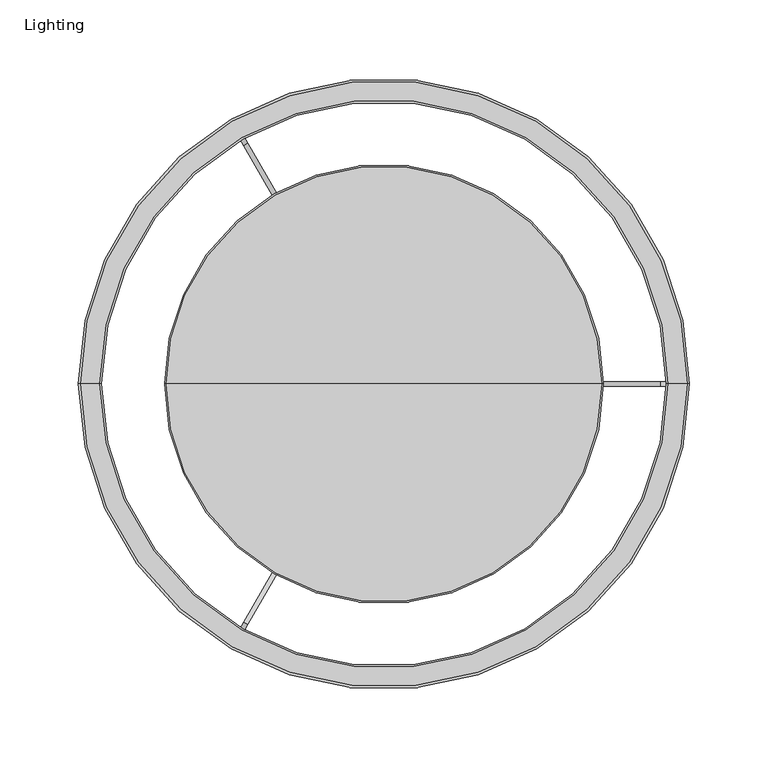
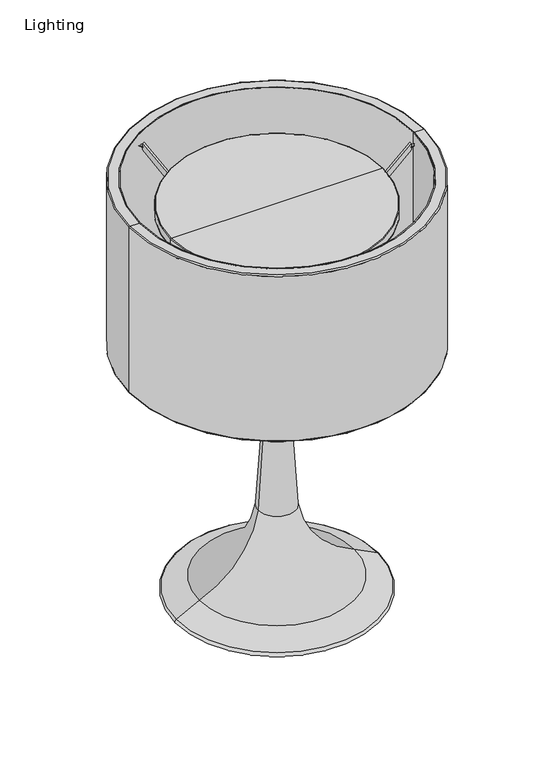
"""IFC4 building model written with IfcOpenShell, lengths in millimetres: furniture geometry, Lighting."""

from ifc_helpers import new_model, si_unit, point, frame, frame_2d, origin, place, context, project, spatial, polyline, circle_curve, ellipse_curve, trimmed, segment, composite_curve, outline, extrude, source, transform, mapped, element, save
from ifc_brep_helpers import plane_surface, cylinder_surface, revolved_surface, advanced_brep


def lighting_a57236e0(model_context):
    return source(origin(), model_context, "Body", "SolidModel", [
        advanced_brep(
        [(-361.1339083, 345.7919098, 525.9938597), (-222.1339083, 345.7919098, 525.9938597), (-500.1339083, 345.7919098, 525.9938597), (-500.1339083, 345.7919098, 539.5077141), (-222.1339083, 345.7919098, 539.5077141), (-361.1339083, 345.7919098, 539.5077141), (-501.1339083, 345.7919098, 538.5077141), (-221.1339083, 345.7919098, 538.5077141), (-501.1339083, 345.7919098, 526.9938597), (-221.1339083, 345.7919098, 526.9938597)],
        [
            (0, 1),
            (1, 2, circle_curve(frame((-361.1339083, 345.7919098, 525.9938597), z_axis=(0.0, 0.0, -1.0), x_axis=(1.0, 0.0, 0.0)), 139.0)),
            (2, 0),
            (2, 1, circle_curve(frame((-361.1339083, 345.7919098, 525.9938597), z_axis=(0.0, 0.0, -1.0), x_axis=(1.0, 0.0, 0.0)), 139.0)),
            (3, 4, circle_curve(frame((-361.1339083, 345.7919098, 539.5077141), z_axis=(0.0, 0.0, 1.0), x_axis=(1.0, 0.0, 0.0)), 139.0)),
            (4, 5),
            (5, 3),
            (4, 3, circle_curve(frame((-361.1339083, 345.7919098, 539.5077141), z_axis=(0.0, 0.0, 1.0), x_axis=(1.0, 0.0, 0.0)), 139.0)),
            (6, 7, circle_curve(frame((-361.1339083, 345.7919098, 538.5077141), z_axis=(0.0, 0.0, 1.0), x_axis=(1.0, 0.0, 0.0)), 140.0)),
            (7, 4, circle_curve(frame((-222.1339083, 345.7919098, 538.5077141), z_axis=(0.0, -1.0, 0.0), x_axis=(1.0, 0.0, 0.0)), 1.0)),
            (3, 6, circle_curve(frame((-500.1339083, 345.7919098, 538.5077141), z_axis=(0.0, -1.0, 0.0), x_axis=(-1.0, 0.0, 0.0)), 1.0)),
            (7, 6, circle_curve(frame((-361.1339083, 345.7919098, 538.5077141), z_axis=(0.0, 0.0, 1.0), x_axis=(1.0, 0.0, 0.0)), 140.0)),
            (8, 9, circle_curve(frame((-361.1339083, 345.7919098, 526.9938597), z_axis=(0.0, 0.0, 1.0), x_axis=(1.0, 0.0, 0.0)), 140.0)),
            (9, 7),
            (6, 8),
            (9, 8, circle_curve(frame((-361.1339083, 345.7919098, 526.9938597), z_axis=(0.0, 0.0, 1.0), x_axis=(1.0, 0.0, 0.0)), 140.0)),
            (1, 9, circle_curve(frame((-222.1339083, 345.7919098, 526.9938597), z_axis=(0.0, -1.0, 0.0), x_axis=(1.0, 0.0, 0.0)), 1.0)),
            (8, 2, circle_curve(frame((-500.1339083, 345.7919098, 526.9938597), z_axis=(0.0, -1.0, 0.0), x_axis=(-1.0, 0.0, 0.0)), 1.0)),
        ],
        [
            plane_surface(frame((-361.1339083, 345.7919098, 525.9938597), z_axis=(0.0, 0.0, -1.0), x_axis=(1.0, 0.0, 0.0))),
            plane_surface(frame((-361.1339083, 345.7919098, 539.5077141), z_axis=(0.0, 0.0, 1.0), x_axis=(1.0, 0.0, 0.0))),
            revolved_surface(trimmed(ellipse_curve(frame((-222.1339083, 345.7919098, 538.5077141), z_axis=(0.0, 1.0, 0.0), x_axis=(1.0, 0.0, 0.0)), 1.0, 1.0), [point((-222.1339083, 345.7919098, 539.5077141))], [point((-221.1339083, 345.7919098, 538.5077141))], True, "CARTESIAN"), (-361.1339083, 345.7919098, 820.0), (0.0, 0.0, -1.0)),
            cylinder_surface(frame((-361.1339083, 345.7919098, 820.0), z_axis=(0.0, 0.0, -1.0), x_axis=(1.0, 0.0, 0.0)), 140.0),
            revolved_surface(trimmed(ellipse_curve(frame((-222.1339083, 345.7919098, 526.9938597), z_axis=(0.0, 1.0, 0.0), x_axis=(1.0, 0.0, 0.0)), 1.0, 1.0), [point((-221.1339083, 345.7919098, 526.9938597))], [point((-222.1339083, 345.7919098, 525.9938597))], True, "CARTESIAN"), (-361.1339083, 345.7919098, 820.0), (0.0, 0.0, -1.0)),
        ],
        [
            (0, [[1, 2, 3]]),
            (0, [[-3, 4, -1]]),
            (1, [[5, 6, 7]]),
            (1, [[8, -7, -6]]),
            (2, [[9, 10, -5, 11]]),
            (2, [[12, -11, -8, -10]]),
            (3, [[13, 14, -9, 15]]),
            (3, [[16, -15, -12, -14]]),
            (4, [[-2, 17, -13, 18]]),
            (4, [[-4, -18, -16, -17]]),
        ],
    ),
        extrude(outline(composite_curve([segment(trimmed(circle_curve(frame_2d((0.0, -1.5)), 1.5), [point((0.0, -3.0))], [point((0.0, 0.0))], False, "CARTESIAN"), True, "CONTINUOUS"), segment(trimmed(circle_curve(frame_2d((0.0, -1.5)), 1.5), [point((0.0, 0.0))], [point((0.0, -3.0))], False, "CARTESIAN"), True, "CONTINUOUS")], self_intersect=False)), frame((-453.2898105, 189.1732049, 557.2266518), z_axis=(0.5000000000000014, 0.8660254037844379, 0.0), x_axis=(0.0, 0.0, -1.0)), (0.0, 0.0, 1.0), 5.3498046),
        extrude(outline(composite_curve([segment(polyline([(2086.6126699, -977.1648436), (2078.3640027, -977.1648436)]), True, "CONTINUOUS"), segment(trimmed(circle_curve(frame_2d((949.9712898, -1990.7022794)), 1516.7492371), [point((2078.3640027, -977.1648436))], [point((2028.4604143, -924.2176538))], True, "CARTESIAN"), True, "CONTINUOUS"), segment(trimmed(circle_curve(frame_2d((1620.7177074, -1327.4218385)), 573.4350265), [point((2028.4604143, -924.2176538))], [point((1895.9133242, -824.3362572))], True, "CARTESIAN"), True, "CONTINUOUS"), segment(polyline([(1895.9133242, -824.3362572), (1949.0963026, -824.3362572)]), True, "CONTINUOUS"), segment(trimmed(circle_curve(frame_2d((0.0, -2716.4319311)), 2716.4319311), [point((1949.0963026, -824.3362572))], [point((2086.6126699, -977.1648436))], False, "CARTESIAN"), True, "CONTINUOUS")], self_intersect=False)), frame((40.5655898, 1038.5558498, -1525.2616845), z_axis=(-0.8660254037844387, 0.5000000000000001, 0.0), x_axis=(0.0, 0.0, 1.0)), (0.0, 0.0, 1.0), 3.0),
        extrude(outline(composite_curve([segment(trimmed(circle_curve(frame_2d((0.0, -1.5)), 1.5), [point((0.0, -3.0))], [point((0.0, 0.0))], False, "CARTESIAN"), True, "CONTINUOUS"), segment(trimmed(circle_curve(frame_2d((0.0, -1.5)), 1.5), [point((0.0, 0.0))], [point((0.0, -3.0))], False, "CARTESIAN"), True, "CONTINUOUS")], self_intersect=False)), frame((-450.6149082, 497.777548, 557.2266518), z_axis=(-0.49999999999999567, 0.8660254037844412, 0.0), x_axis=(0.0, 0.0, -1.0)), (0.0, 0.0, 1.0), 5.3498046),
        extrude(outline(composite_curve([segment(polyline([(4.8847677, 0.0), (13.1334349, 0.0)]), True, "CONTINUOUS"), segment(trimmed(circle_curve(frame_2d((1141.5261478, 1013.5374359)), 1516.7492371), [point((13.1334349, 0.0))], [point((63.0370233, -52.9471897))], True, "CARTESIAN"), True, "CONTINUOUS"), segment(trimmed(circle_curve(frame_2d((470.7797302, 350.256995)), 573.4350265), [point((63.0370233, -52.9471897))], [point((195.5841134, -152.8285864))], True, "CARTESIAN"), True, "CONTINUOUS"), segment(polyline([(195.5841134, -152.8285864), (142.401135, -152.8285864)]), True, "CONTINUOUS"), segment(trimmed(circle_curve(frame_2d((2091.4974376, 1739.2670877)), 2716.4319311), [point((142.401135, -152.8285864))], [point((4.8847677, 0.0))], False, "CARTESIAN"), True, "CONTINUOUS")], self_intersect=False)), frame((-450.6149082, 497.777548, 566.2357531), z_axis=(0.866025403784442, 0.49999999999999434, 0.0), x_axis=(0.0, 0.0, -1.0)), (0.0, 0.0, 1.0), 3.0),
        extrude(outline(composite_curve([segment(trimmed(circle_curve(frame_2d((345.7919098, 557.2266518)), 1.5), [point((344.2919098, 557.2266518))], [point((347.2919098, 557.2266518))], False, "CARTESIAN"), True, "CONTINUOUS"), segment(trimmed(circle_curve(frame_2d((345.7919098, 557.2266518)), 1.5), [point((347.2919098, 557.2266518))], [point((344.2919098, 557.2266518))], False, "CARTESIAN"), True, "CONTINUOUS")], self_intersect=False)), frame((-184.7699846, 0.0, 0.0), z_axis=(1.0, 0.0, 0.0), x_axis=(0.0, 1.0, 0.0)), (0.0, 0.0, 1.0), 5.3498046),
        extrude(outline(composite_curve([segment(trimmed(circle_curve(frame_2d((-1525.2616845, 1554.497103)), 2716.4319311), [point((561.3509854, -184.7699846))], [point((423.8346181, -337.598571))], False, "CARTESIAN"), True, "CONTINUOUS"), segment(polyline([(423.8346181, -337.598571), (370.6516397, -337.598571)]), True, "CONTINUOUS"), segment(trimmed(circle_curve(frame_2d((95.4560229, 165.4870104)), 573.4350265), [point((370.6516397, -337.598571))], [point((503.1987298, -237.7171743))], True, "CARTESIAN"), True, "CONTINUOUS"), segment(trimmed(circle_curve(frame_2d((-575.2903947, 828.7674513)), 1516.7492371), [point((503.1987298, -237.7171743))], [point((553.1023182, -184.7699846))], True, "CARTESIAN"), True, "CONTINUOUS"), segment(polyline([(553.1023182, -184.7699846), (561.3509854, -184.7699846)]), True, "CONTINUOUS")], self_intersect=False)), frame((0.0, 344.2919098, 0.0), z_axis=(0.0, 1.0, 0.0), x_axis=(0.0, 0.0, 1.0)), (0.0, 0.0, 1.0), 3.0),
        advanced_brep(
        [(-541.3839083, 345.7919098, 343.0), (-180.8839083, 345.7919098, 343.0), (-179.8839083, 345.7919098, 343.0), (-542.3839083, 345.7919098, 343.0), (-541.3839083, 345.7919098, 575.0), (-180.8839083, 345.7919098, 575.0), (-542.3839083, 345.7919098, 575.0), (-179.8839083, 345.7919098, 575.0)],
        [
            (0, 1, circle_curve(frame((-361.1339083, 345.7919098, 343.0), z_axis=(0.0, 0.0, 1.0), x_axis=(1.0, 0.0, 0.0)), 180.25)),
            (1, 2),
            (2, 3, circle_curve(frame((-361.1339083, 345.7919098, 343.0), z_axis=(0.0, 0.0, -1.0), x_axis=(1.0, 0.0, 0.0)), 181.25)),
            (3, 0),
            (1, 0, circle_curve(frame((-361.1339083, 345.7919098, 343.0), z_axis=(0.0, 0.0, 1.0), x_axis=(1.0, 0.0, 0.0)), 180.25)),
            (3, 2, circle_curve(frame((-361.1339083, 345.7919098, 343.0), z_axis=(0.0, 0.0, -1.0), x_axis=(1.0, 0.0, 0.0)), 181.25)),
            (4, 5, circle_curve(frame((-361.1339083, 345.7919098, 575.0), z_axis=(0.0, 0.0, 1.0), x_axis=(1.0, 0.0, 0.0)), 180.25)),
            (5, 1),
            (0, 4),
            (5, 4, circle_curve(frame((-361.1339083, 345.7919098, 575.0), z_axis=(0.0, 0.0, 1.0), x_axis=(1.0, 0.0, 0.0)), 180.25)),
            (6, 7, circle_curve(frame((-361.1339083, 345.7919098, 575.0), z_axis=(0.0, 0.0, 1.0), x_axis=(1.0, 0.0, 0.0)), 181.25)),
            (7, 5),
            (4, 6),
            (7, 6, circle_curve(frame((-361.1339083, 345.7919098, 575.0), z_axis=(0.0, 0.0, 1.0), x_axis=(1.0, 0.0, 0.0)), 181.25)),
            (2, 7),
            (6, 3),
        ],
        [
            plane_surface(frame((-361.1339083, 345.7919098, 343.0), z_axis=(0.0, 0.0, -1.0), x_axis=(1.0, 0.0, 0.0))),
            revolved_surface(polyline([(-180.88390829999997, 345.7919098, 343.0), (-180.88390829999997, 345.7919098, 575.0)]), (-361.1339083, 345.7919098, 715.0), (0.0, 0.0, -1.0)),
            plane_surface(frame((-361.1339083, 345.7919098, 575.0), z_axis=(0.0, 0.0, 1.0), x_axis=(1.0, 0.0, 0.0))),
            cylinder_surface(frame((-361.1339083, 345.7919098, 715.0), z_axis=(0.0, 0.0, -1.0), x_axis=(1.0, 0.0, 0.0)), 181.25),
        ],
        [
            (0, [[1, 2, 3, 4]]),
            (0, [[5, -4, 6, -2]]),
            (1, [[7, 8, -1, 9]]),
            (1, [[10, -9, -5, -8]]),
            (2, [[11, 12, -7, 13]]),
            (2, [[14, -13, -10, -12]]),
            (3, [[-3, 15, -11, 16]]),
            (3, [[-6, -16, -14, -15]]),
        ],
    ),
        advanced_brep(
        [(-361.1339083, 345.7919098, 0.0), (-230.1921419, 345.7919098, 0.0), (-492.0756746, 345.7919098, 0.0), (-370.815296, 345.7919098, 349.0159628), (-351.4525206, 345.7919098, 349.0159628), (-361.1339083, 345.7919098, 349.0159628), (-385.5291256, 345.7919098, 119.9779838), (-336.7386909, 345.7919098, 119.9779838), (-462.93253, 345.7919098, 21.7284956), (-259.3352865, 345.7919098, 21.7284956), (-493.813439, 345.7919098, 6.134375), (-228.4543775, 345.7919098, 6.134375)],
        [
            (0, 1),
            (1, 2, circle_curve(frame((-361.1339083, 345.7919098, 0.0), z_axis=(0.0, 0.0, -1.0), x_axis=(1.0, 0.0, 0.0)), 130.9417664)),
            (2, 0),
            (2, 1, circle_curve(frame((-361.1339083, 345.7919098, 0.0), z_axis=(0.0, 0.0, -1.0), x_axis=(1.0, 0.0, 0.0)), 130.9417664)),
            (3, 4, circle_curve(frame((-361.1339083, 345.7919098, 349.0159628), z_axis=(0.0, 0.0, 1.0), x_axis=(1.0, 0.0, 0.0)), 9.6813877)),
            (4, 5),
            (5, 3),
            (4, 3, circle_curve(frame((-361.1339083, 345.7919098, 349.0159628), z_axis=(0.0, 0.0, 1.0), x_axis=(1.0, 0.0, 0.0)), 9.6813877)),
            (6, 7, circle_curve(frame((-361.1339083, 345.7919098, 119.9779838), z_axis=(0.0, 0.0, 1.0), x_axis=(1.0, 0.0, 0.0)), 24.3952173)),
            (7, 4, circle_curve(frame((1036.8933164, 345.7919098, 323.2142936), z_axis=(0.0, 1.0, 0.0), x_axis=(1.0, 0.0, 0.0)), 1388.5855715)),
            (3, 6, circle_curve(frame((-1759.161133, 345.7919098, 323.2142936), z_axis=(0.0, 1.0, 0.0), x_axis=(-1.0, 0.0, 0.0)), 1388.5855715)),
            (7, 6, circle_curve(frame((-361.1339083, 345.7919098, 119.9779838), z_axis=(0.0, 0.0, 1.0), x_axis=(1.0, 0.0, 0.0)), 24.3952173)),
            (8, 9, circle_curve(frame((-361.1339083, 345.7919098, 21.7284956), z_axis=(0.0, 0.0, 1.0), x_axis=(1.0, 0.0, 0.0)), 101.7986217)),
            (9, 7, circle_curve(frame((-212.3150352, 345.7919098, 138.3871389), z_axis=(0.0, 1.0, 0.0), x_axis=(1.0, 0.0, 0.0)), 125.7781503)),
            (6, 8, circle_curve(frame((-509.9527813, 345.7919098, 138.3871389), z_axis=(0.0, 1.0, 0.0), x_axis=(-1.0, 0.0, 0.0)), 125.7781503)),
            (9, 8, circle_curve(frame((-361.1339083, 345.7919098, 21.7284956), z_axis=(0.0, 0.0, 1.0), x_axis=(1.0, 0.0, 0.0)), 101.7986217)),
            (10, 11, circle_curve(frame((-361.1339083, 345.7919098, 6.134375), z_axis=(0.0, 0.0, 1.0), x_axis=(1.0, 0.0, 0.0)), 132.6795307)),
            (11, 9, circle_curve(frame((-335.9695093, 345.7919098, -168.4032925), z_axis=(0.0, -1.0, 0.0), x_axis=(1.0, 0.0, 0.0)), 204.9948803)),
            (8, 10, circle_curve(frame((-386.2983073, 345.7919098, -168.4032925), z_axis=(0.0, -1.0, 0.0), x_axis=(-1.0, 0.0, 0.0)), 204.9948803)),
            (11, 10, circle_curve(frame((-361.1339083, 345.7919098, 6.134375), z_axis=(0.0, 0.0, 1.0), x_axis=(1.0, 0.0, 0.0)), 132.6795307)),
            (1, 11, circle_curve(frame((-230.1921419, 345.7919098, 3.3133271), z_axis=(0.0, -1.0, 0.0), x_axis=(1.0, 0.0, 0.0)), 3.3133271)),
            (10, 2, circle_curve(frame((-492.0756746, 345.7919098, 3.3133271), z_axis=(0.0, -1.0, 0.0), x_axis=(-1.0, 0.0, 0.0)), 3.3133271)),
        ],
        [
            plane_surface(frame((-361.1339083, 345.7919098, 0.0), z_axis=(0.0, 0.0, -1.0), x_axis=(1.0, 0.0, 0.0))),
            plane_surface(frame((-361.1339083, 345.7919098, 349.0159628), z_axis=(0.0, 0.0, 1.0), x_axis=(1.0, 0.0, 0.0))),
            revolved_surface(trimmed(ellipse_curve(frame((1036.8933164, 345.7919098, 323.2142936), z_axis=(0.0, -1.0, 0.0), x_axis=(1.0, 0.0, 0.0)), 1388.5855715, 1388.5855715), [point((-351.4525206, 345.7919098, 349.0159628))], [point((-336.7386909, 345.7919098, 119.9779838))], True, "CARTESIAN"), (-361.1339083, 345.7919098, 1408.2368008), (0.0, 0.0, -1.0)),
            revolved_surface(trimmed(ellipse_curve(frame((-212.3150352, 345.7919098, 138.3871389), z_axis=(0.0, -1.0, 0.0), x_axis=(1.0, 0.0, 0.0)), 125.7781503, 125.7781503), [point((-336.7386909, 345.7919098, 119.9779838))], [point((-259.3352865, 345.7919098, 21.7284956))], True, "CARTESIAN"), (-361.1339083, 345.7919098, 1408.2368008), (0.0, 0.0, -1.0)),
            revolved_surface(trimmed(ellipse_curve(frame((-335.9695093, 345.7919098, -168.4032925), z_axis=(0.0, 1.0, 0.0), x_axis=(1.0, 0.0, 0.0)), 204.9948803, 204.9948803), [point((-259.3352865, 345.7919098, 21.7284956))], [point((-228.4543775, 345.7919098, 6.134375))], True, "CARTESIAN"), (-361.1339083, 345.7919098, 1408.2368008), (0.0, 0.0, -1.0)),
            revolved_surface(trimmed(ellipse_curve(frame((-230.1921419, 345.7919098, 3.3133271), z_axis=(0.0, 1.0, 0.0), x_axis=(1.0, 0.0, 0.0)), 3.3133271, 3.3133271), [point((-228.4543775, 345.7919098, 6.134375))], [point((-230.1921419, 345.7919098, 0.0))], True, "CARTESIAN"), (-361.1339083, 345.7919098, 1408.2368008), (0.0, 0.0, -1.0)),
        ],
        [
            (0, [[1, 2, 3]]),
            (0, [[-3, 4, -1]]),
            (1, [[5, 6, 7]]),
            (1, [[8, -7, -6]]),
            (2, [[9, 10, -5, 11]]),
            (2, [[12, -11, -8, -10]]),
            (3, [[13, 14, -9, 15]]),
            (3, [[16, -15, -12, -14]]),
            (4, [[17, 18, -13, 19]]),
            (4, [[20, -19, -16, -18]]),
            (5, [[-2, 21, -17, 22]]),
            (5, [[-4, -22, -20, -21]]),
        ],
    ),
        advanced_brep(
        [(-376.8534763, 345.7919098, 402.5475216), (-345.4143402, 345.7919098, 402.5475216), (-344.324078, 345.7919098, 424.9393632), (-377.9437386, 345.7919098, 424.9393632), (-361.1339083, 345.7919098, 396.2097307), (-361.1339083, 345.7919098, 424.9393632)],
        [
            (0, 1, circle_curve(frame((-361.1339083, 345.7919098, 402.5475216), z_axis=(0.0, 0.0, 1.0), x_axis=(1.0, 0.0, 0.0)), 15.719568)),
            (1, 2),
            (2, 3, circle_curve(frame((-361.1339083, 345.7919098, 424.9393632), z_axis=(0.0, 0.0, -1.0), x_axis=(1.0, 0.0, 0.0)), 16.8098303)),
            (3, 0),
            (1, 0, circle_curve(frame((-361.1339083, 345.7919098, 402.5475216), z_axis=(0.0, 0.0, 1.0), x_axis=(1.0, 0.0, 0.0)), 15.719568)),
            (3, 2, circle_curve(frame((-361.1339083, 345.7919098, 424.9393632), z_axis=(0.0, 0.0, -1.0), x_axis=(1.0, 0.0, 0.0)), 16.8098303)),
            (4, 1, circle_curve(frame((-361.1339095, 345.7919098, 418.8731836), z_axis=(0.0, -1.0, 0.0), x_axis=(-1.0, 0.0, 0.0)), 22.6634529)),
            (0, 4, circle_curve(frame((-361.133907, 345.7919098, 418.8731836), z_axis=(0.0, -1.0, 0.0), x_axis=(1.0, 0.0, 0.0)), 22.6634529)),
            (2, 5),
            (5, 3),
        ],
        [
            revolved_surface(polyline([(-344.324078, 345.7919098, 424.9393632), (-345.4143402, 345.7919098, 402.5475216)]), (-361.1339083, 345.7919098, 418.7635995), (0.0, 0.0, -1.0)),
            revolved_surface(trimmed(ellipse_curve(frame((-361.1339095, 345.7919098, 418.8731836), z_axis=(0.0, 1.0, 0.0), x_axis=(-1.0, 0.0, 0.0)), 22.6634529, 22.6634529), [point((-345.4143402, 345.7919098, 402.5475216))], [point((-361.1339083, 345.7919098, 396.2097307))], True, "CARTESIAN"), (-361.1339083, 345.7919098, 418.7635995), (0.0, 0.0, -1.0)),
            plane_surface(frame((-361.1339083, 345.7919098, 424.9393632), z_axis=(0.0, 0.0, 1.0), x_axis=(1.0, 0.0, 0.0))),
        ],
        [
            (0, [[1, 2, 3, 4]]),
            (0, [[5, -4, 6, -2]]),
            (1, [[7, -1, 8]]),
            (1, [[-8, -5, -7]]),
            (2, [[-3, 9, 10]]),
            (2, [[-6, -10, -9]]),
        ],
    ),
        advanced_brep(
        [(-377.9437386, 345.7919098, 424.9393632), (-344.324078, 345.7919098, 424.9393632), (-330.7271802, 345.7919098, 464.0493888), (-391.5406364, 345.7919098, 464.0493888), (-361.1339083, 345.7919098, 424.9393632), (-361.1339083, 345.7919098, 488.5989641)],
        [
            (0, 1, circle_curve(frame((-361.1339083, 345.7919098, 424.9393632), z_axis=(0.0, 0.0, 1.0), x_axis=(1.0, 0.0, 0.0)), 16.8098303)),
            (1, 2, circle_curve(frame((-369.6406673, 345.7919098, 455.6594133), z_axis=(0.0, -1.0, 0.0), x_axis=(-1.0, 0.0, 0.0)), 39.8076773)),
            (2, 3, circle_curve(frame((-361.1339083, 345.7919098, 464.0493888), z_axis=(0.0, 0.0, -1.0), x_axis=(1.0, 0.0, 0.0)), 30.4067281)),
            (3, 0, circle_curve(frame((-352.6271493, 345.7919098, 455.6594133), z_axis=(0.0, -1.0, 0.0), x_axis=(1.0, 0.0, 0.0)), 39.8076773)),
            (1, 0, circle_curve(frame((-361.1339083, 345.7919098, 424.9393632), z_axis=(0.0, 0.0, 1.0), x_axis=(1.0, 0.0, 0.0)), 16.8098303)),
            (3, 2, circle_curve(frame((-361.1339083, 345.7919098, 464.0493888), z_axis=(0.0, 0.0, -1.0), x_axis=(1.0, 0.0, 0.0)), 30.4067281)),
            (4, 1),
            (0, 4),
            (2, 5, circle_curve(frame((-361.1339104, 345.7919098, 457.4935199), z_axis=(0.0, -1.0, 0.0), x_axis=(-1.0, 0.0, 0.0)), 31.1054442)),
            (5, 3, circle_curve(frame((-361.1339062, 345.7919098, 457.4935199), z_axis=(0.0, -1.0, 0.0), x_axis=(1.0, 0.0, 0.0)), 31.1054442)),
        ],
        [
            revolved_surface(trimmed(ellipse_curve(frame((-369.6406673, 345.7919098, 455.6594133), z_axis=(0.0, 1.0, 0.0), x_axis=(-1.0, 0.0, 0.0)), 39.8076773, 39.8076773), [point((-330.7271802, 345.7919098, 464.0493888))], [point((-344.324078, 345.7919098, 424.9393632))], True, "CARTESIAN"), (-361.1339083, 345.7919098, 336.2097307), (0.0, 0.0, -1.0)),
            plane_surface(frame((-361.1339083, 345.7919098, 424.9393632), z_axis=(0.0, 0.0, -1.0), x_axis=(1.0, 0.0, 0.0))),
            revolved_surface(trimmed(ellipse_curve(frame((-361.1339104, 345.7919098, 457.4935199), z_axis=(0.0, 1.0, 0.0), x_axis=(-1.0, 0.0, 0.0)), 31.1054442, 31.1054442), [point((-361.1339083, 345.7919098, 488.5989641))], [point((-330.7271802, 345.7919098, 464.0493888))], True, "CARTESIAN"), (-361.1339083, 345.7919098, 336.2097307), (0.0, 0.0, -1.0)),
        ],
        [
            (0, [[1, 2, 3, 4]]),
            (0, [[5, -4, 6, -2]]),
            (1, [[7, -1, 8]]),
            (1, [[-8, -5, -7]]),
            (2, [[-3, 9, 10]]),
            (2, [[-6, -10, -9]]),
        ],
    ),
        advanced_brep(
        [(-361.1339083, 345.7919098, 349.0159628), (-352.5421569, 345.7919098, 349.0159628), (-369.7256597, 345.7919098, 349.0159628), (-379.0933861, 345.7919098, 374.7737871), (-343.1744304, 345.7919098, 374.7737871), (-361.1339083, 345.7919098, 374.7737871), (-381.1784935, 345.7919098, 424.844273), (-341.089323, 345.7919098, 424.844273), (-384.6692456, 345.7919098, 424.844273), (-337.598571, 345.7919098, 424.844273), (-384.6692456, 345.7919098, 370.6516397), (-337.598571, 345.7919098, 370.6516397), (-371.8332554, 345.7919098, 354.4616408), (-350.4345612, 345.7919098, 354.4616408)],
        [
            (0, 1),
            (1, 2, circle_curve(frame((-361.1339083, 345.7919098, 349.0159628), z_axis=(0.0, 0.0, -1.0), x_axis=(1.0, 0.0, 0.0)), 8.5917514)),
            (2, 0),
            (2, 1, circle_curve(frame((-361.1339083, 345.7919098, 349.0159628), z_axis=(0.0, 0.0, -1.0), x_axis=(1.0, 0.0, 0.0)), 8.5917514)),
            (3, 4, circle_curve(frame((-361.1339083, 345.7919098, 374.7737871), z_axis=(0.0, 0.0, 1.0), x_axis=(1.0, 0.0, 0.0)), 17.9594778)),
            (4, 5),
            (5, 3),
            (4, 3, circle_curve(frame((-361.1339083, 345.7919098, 374.7737871), z_axis=(0.0, 0.0, 1.0), x_axis=(1.0, 0.0, 0.0)), 17.9594778)),
            (6, 7, circle_curve(frame((-361.1339083, 345.7919098, 424.844273), z_axis=(0.0, 0.0, 1.0), x_axis=(1.0, 0.0, 0.0)), 20.0445852)),
            (7, 4),
            (3, 6),
            (7, 6, circle_curve(frame((-361.1339083, 345.7919098, 424.844273), z_axis=(0.0, 0.0, 1.0), x_axis=(1.0, 0.0, 0.0)), 20.0445852)),
            (8, 9, circle_curve(frame((-361.1339083, 345.7919098, 424.844273), z_axis=(0.0, 0.0, 1.0), x_axis=(1.0, 0.0, 0.0)), 23.5353373)),
            (9, 7),
            (6, 8),
            (9, 8, circle_curve(frame((-361.1339083, 345.7919098, 424.844273), z_axis=(0.0, 0.0, 1.0), x_axis=(1.0, 0.0, 0.0)), 23.5353373)),
            (10, 11, circle_curve(frame((-361.1339083, 345.7919098, 370.6516397), z_axis=(0.0, 0.0, 1.0), x_axis=(1.0, 0.0, 0.0)), 23.5353373)),
            (11, 9),
            (8, 10),
            (11, 10, circle_curve(frame((-361.1339083, 345.7919098, 370.6516397), z_axis=(0.0, 0.0, 1.0), x_axis=(1.0, 0.0, 0.0)), 23.5353373)),
            (12, 13, circle_curve(frame((-361.1339083, 345.7919098, 354.4616408), z_axis=(0.0, 0.0, 1.0), x_axis=(1.0, 0.0, 0.0)), 10.6993471)),
            (13, 11),
            (10, 12),
            (13, 12, circle_curve(frame((-361.1339083, 345.7919098, 354.4616408), z_axis=(0.0, 0.0, 1.0), x_axis=(1.0, 0.0, 0.0)), 10.6993471)),
            (1, 13, circle_curve(frame((-342.7199657, 345.7919098, 348.3452431), z_axis=(0.0, 1.0, 0.0), x_axis=(-1.0, 0.0, 0.0)), 9.8450649)),
            (12, 2, circle_curve(frame((-379.5478508, 345.7919098, 348.3452431), z_axis=(0.0, 1.0, 0.0), x_axis=(1.0, 0.0, 0.0)), 9.8450649)),
        ],
        [
            plane_surface(frame((-361.1339083, 345.7919098, 349.0159628), z_axis=(0.0, 0.0, -1.0), x_axis=(1.0, 0.0, 0.0))),
            plane_surface(frame((-361.1339083, 345.7919098, 374.7737871), z_axis=(0.0, 0.0, 1.0), x_axis=(1.0, 0.0, 0.0))),
            revolved_surface(polyline([(-343.1744304, 345.7919098, 374.7737871), (-341.089323, 345.7919098, 424.844273)]), (-361.1339083, 345.7919098, 125.6516397), (0.0, 0.0, -1.0)),
            plane_surface(frame((-361.1339083, 345.7919098, 424.844273), z_axis=(0.0, 0.0, 1.0), x_axis=(1.0, 0.0, 0.0))),
            cylinder_surface(frame((-361.1339083, 345.7919098, 125.6516397), z_axis=(0.0, 0.0, -1.0), x_axis=(1.0, 0.0, 0.0)), 23.5353373),
            revolved_surface(polyline([(-337.598571, 345.7919098, 370.6516397), (-350.4345612, 345.7919098, 354.4616408)]), (-361.1339083, 345.7919098, 125.6516397), (0.0, 0.0, -1.0)),
            revolved_surface(trimmed(ellipse_curve(frame((-342.7199657, 345.7919098, 348.3452431), z_axis=(0.0, -1.0, 0.0), x_axis=(-1.0, 0.0, 0.0)), 9.8450649, 9.8450649), [point((-350.4345612, 345.7919098, 354.4616408))], [point((-352.5421569, 345.7919098, 349.0159628))], True, "CARTESIAN"), (-361.1339083, 345.7919098, 125.6516397), (0.0, 0.0, -1.0)),
        ],
        [
            (0, [[1, 2, 3]]),
            (0, [[-3, 4, -1]]),
            (1, [[5, 6, 7]]),
            (1, [[8, -7, -6]]),
            (2, [[9, 10, -5, 11]]),
            (2, [[12, -11, -8, -10]]),
            (3, [[13, 14, -9, 15]]),
            (3, [[16, -15, -12, -14]]),
            (4, [[17, 18, -13, 19]]),
            (4, [[20, -19, -16, -18]]),
            (5, [[21, 22, -17, 23]]),
            (5, [[24, -23, -20, -22]]),
            (6, [[-2, 25, -21, 26]]),
            (6, [[-4, -26, -24, -25]]),
        ],
    ),
        advanced_brep(
        [(-542.3839083, 345.7919098, 343.0), (-179.8839083, 345.7919098, 343.0), (-167.6339083, 345.7919098, 343.0), (-554.6339083, 345.7919098, 343.0), (-542.3839083, 345.7919098, 575.0), (-179.8839083, 345.7919098, 575.0), (-554.6339083, 345.7919098, 575.0), (-167.6339083, 345.7919098, 575.0), (-556.1339083, 345.7919098, 344.5), (-166.1339083, 345.7919098, 344.5), (-166.1339083, 345.7919098, 573.5), (-556.1339083, 345.7919098, 573.5)],
        [
            (0, 1, circle_curve(frame((-361.1339083, 345.7919098, 343.0), z_axis=(0.0, 0.0, 1.0), x_axis=(1.0, 0.0, 0.0)), 181.25)),
            (1, 2),
            (2, 3, circle_curve(frame((-361.1339083, 345.7919098, 343.0), z_axis=(0.0, 0.0, -1.0), x_axis=(1.0, 0.0, 0.0)), 193.5)),
            (3, 0),
            (1, 0, circle_curve(frame((-361.1339083, 345.7919098, 343.0), z_axis=(0.0, 0.0, 1.0), x_axis=(1.0, 0.0, 0.0)), 181.25)),
            (3, 2, circle_curve(frame((-361.1339083, 345.7919098, 343.0), z_axis=(0.0, 0.0, -1.0), x_axis=(1.0, 0.0, 0.0)), 193.5)),
            (4, 5, circle_curve(frame((-361.1339083, 345.7919098, 575.0), z_axis=(0.0, 0.0, 1.0), x_axis=(1.0, 0.0, 0.0)), 181.25)),
            (5, 1),
            (0, 4),
            (5, 4, circle_curve(frame((-361.1339083, 345.7919098, 575.0), z_axis=(0.0, 0.0, 1.0), x_axis=(1.0, 0.0, 0.0)), 181.25)),
            (6, 7, circle_curve(frame((-361.1339083, 345.7919098, 575.0), z_axis=(0.0, 0.0, 1.0), x_axis=(1.0, 0.0, 0.0)), 193.5)),
            (7, 5),
            (4, 6),
            (7, 6, circle_curve(frame((-361.1339083, 345.7919098, 575.0), z_axis=(0.0, 0.0, 1.0), x_axis=(1.0, 0.0, 0.0)), 193.5)),
            (8, 9, circle_curve(frame((-361.1339083, 345.7919098, 344.5), z_axis=(0.0, 0.0, 1.0), x_axis=(1.0, 0.0, 0.0)), 195.0)),
            (9, 10),
            (10, 11, circle_curve(frame((-361.1339083, 345.7919098, 573.5), z_axis=(0.0, 0.0, -1.0), x_axis=(1.0, 0.0, 0.0)), 195.0)),
            (11, 8),
            (9, 8, circle_curve(frame((-361.1339083, 345.7919098, 344.5), z_axis=(0.0, 0.0, 1.0), x_axis=(1.0, 0.0, 0.0)), 195.0)),
            (11, 10, circle_curve(frame((-361.1339083, 345.7919098, 573.5), z_axis=(0.0, 0.0, -1.0), x_axis=(1.0, 0.0, 0.0)), 195.0)),
            (2, 9, circle_curve(frame((-167.6339083, 345.7919098, 344.5), z_axis=(0.0, -1.0, 0.0), x_axis=(-1.0, 0.0, 0.0)), 1.5)),
            (8, 3, circle_curve(frame((-554.6339083, 345.7919098, 344.5), z_axis=(0.0, -1.0, 0.0), x_axis=(1.0, 0.0, 0.0)), 1.5)),
            (10, 7, circle_curve(frame((-167.6339083, 345.7919098, 573.5), z_axis=(0.0, -1.0, 0.0), x_axis=(-1.0, 0.0, 0.0)), 1.5)),
            (6, 11, circle_curve(frame((-554.6339083, 345.7919098, 573.5), z_axis=(0.0, -1.0, 0.0), x_axis=(1.0, 0.0, 0.0)), 1.5)),
        ],
        [
            plane_surface(frame((-361.1339083, 345.7919098, 343.0), z_axis=(0.0, 0.0, -1.0), x_axis=(1.0, 0.0, 0.0))),
            revolved_surface(polyline([(-179.88390829999997, 345.7919098, 343.0), (-179.88390829999997, 345.7919098, 575.0)]), (-361.1339083, 345.7919098, 700.0), (0.0, 0.0, -1.0)),
            plane_surface(frame((-361.1339083, 345.7919098, 575.0), z_axis=(0.0, 0.0, 1.0), x_axis=(1.0, 0.0, 0.0))),
            cylinder_surface(frame((-361.1339083, 345.7919098, 700.0), z_axis=(0.0, 0.0, -1.0), x_axis=(1.0, 0.0, 0.0)), 195.0),
            revolved_surface(trimmed(ellipse_curve(frame((-167.6339083, 345.7919098, 344.5), z_axis=(0.0, 1.0, 0.0), x_axis=(-1.0, 0.0, 0.0)), 1.5, 1.5), [point((-166.1339083, 345.7919098, 344.5))], [point((-167.6339083, 345.7919098, 343.0))], True, "CARTESIAN"), (-361.1339083, 345.7919098, 700.0), (0.0, 0.0, -1.0)),
            revolved_surface(trimmed(ellipse_curve(frame((-167.6339083, 345.7919098, 573.5), z_axis=(0.0, 1.0, 0.0), x_axis=(-1.0, 0.0, 0.0)), 1.5, 1.5), [point((-167.6339083, 345.7919098, 575.0))], [point((-166.1339083, 345.7919098, 573.5))], True, "CARTESIAN"), (-361.1339083, 345.7919098, 700.0), (0.0, 0.0, -1.0)),
        ],
        [
            (0, [[1, 2, 3, 4]]),
            (0, [[5, -4, 6, -2]]),
            (1, [[7, 8, -1, 9]]),
            (1, [[10, -9, -5, -8]]),
            (2, [[11, 12, -7, 13]]),
            (2, [[14, -13, -10, -12]]),
            (3, [[15, 16, 17, 18]]),
            (3, [[19, -18, 20, -16]]),
            (4, [[-3, 21, -15, 22]]),
            (4, [[-6, -22, -19, -21]]),
            (5, [[-17, 23, -11, 24]]),
            (5, [[-20, -24, -14, -23]]),
        ],
    ),
    ])


if __name__ == "__main__":
    model = new_model("IFC4")
    model_context = context("Model", 3, world=origin())
    ifc_project = project(units=[si_unit("LENGTHUNIT", "METRE", prefix="MILLI")], contexts=[model_context])
    site = spatial("IfcSite", under=ifc_project)
    building = spatial("IfcBuilding", under=site)
    placement = place(None, origin())
    lighting_shape = lighting_a57236e0(model_context)
    element("IfcFurniture", 1, ObjectType="Lighting", at=placement, inside=building, context=model_context, shape_type="MappedRepresentation", body=[
        mapped(lighting_shape, transform((0.0, 0.0, 0.0), x_axis=(1.0, 0.0, 0.0), y_axis=(0.0, 1.0, 0.0), z_axis=(0.0, 0.0, 1.0))),
    ])
    save(model, "model.ifc")
